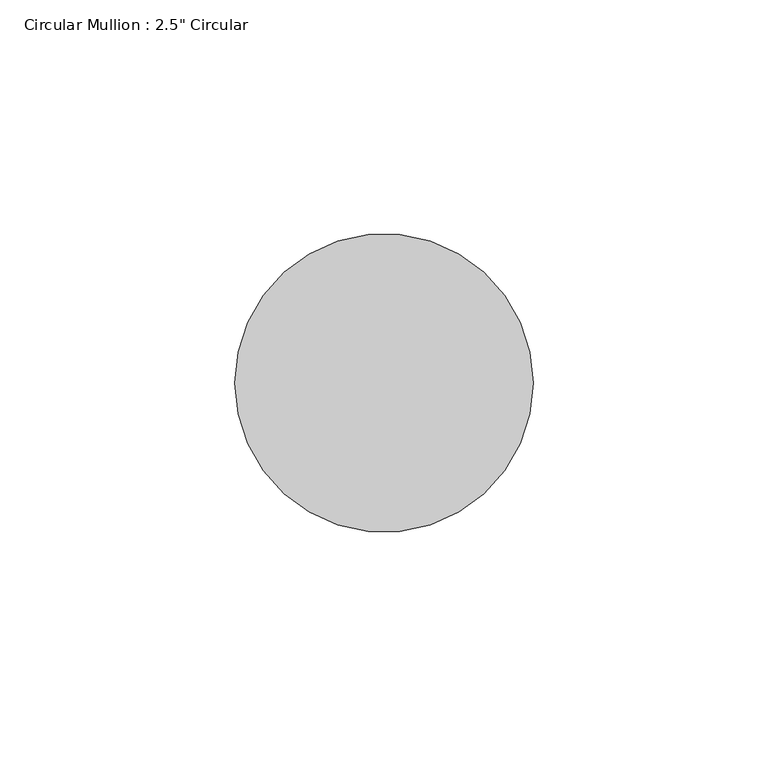
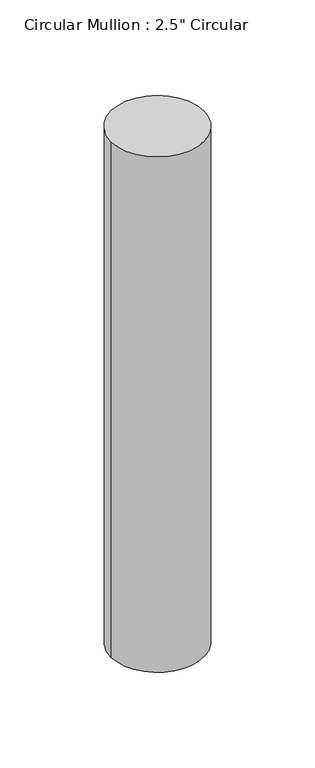
"""IFC4 building model written with IfcOpenShell, lengths in millimetres: member geometry."""

from ifc_helpers import new_model, si_unit, point, frame, origin, origin_2d, place, context, project, spatial, circle_curve, trimmed, segment, composite_curve, outline, extrude, source, transform, mapped, element, save


def member_1b0c0b79(model_context):
    return source(origin(), model_context, "Body", "SweptSolid", [
        extrude(outline(composite_curve([segment(trimmed(circle_curve(origin_2d(), 31.75), [point((31.75, 0.0))], [point((-31.75, 0.0))], False, "CARTESIAN"), True, "CONTINUOUS"), segment(trimmed(circle_curve(origin_2d(), 31.75), [point((-31.75, 0.0))], [point((31.75, 0.0))], False, "CARTESIAN"), True, "CONTINUOUS")], self_intersect=False)), frame((0.0, 0.0, -373.0), z_axis=(0.0, 0.0, 1.0), x_axis=(1.0, 0.0, 0.0)), (0.0, 0.0, 1.0), 373.0),
    ])


if __name__ == "__main__":
    model = new_model("IFC4")
    model_context = context("Model", 3, world=origin())
    ifc_project = project(units=[si_unit("LENGTHUNIT", "METRE", prefix="MILLI")], contexts=[model_context])
    site = spatial("IfcSite", under=ifc_project)
    building = spatial("IfcBuilding", under=site)
    placement = place(None, origin())
    member_shape = member_1b0c0b79(model_context)
    element("IfcMember", 1, ObjectType="Circular Mullion : 2.5\" Circular", at=placement, inside=building, context=model_context, shape_type="MappedRepresentation", body=[
        mapped(member_shape, transform((0.0, 0.0, 0.0), x_axis=(1.0, 0.0, 0.0), y_axis=(0.0, 1.0, 0.0), z_axis=(0.0, 0.0, 1.0))),
    ])
    save(model, "model.ifc")
